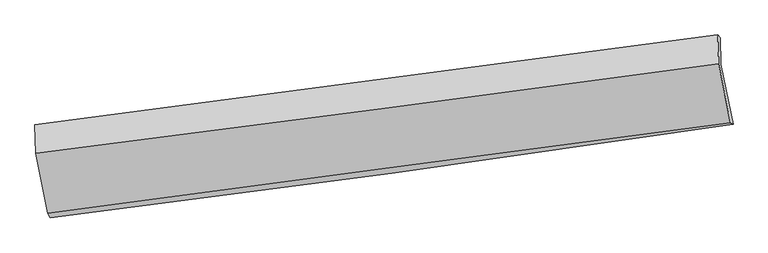
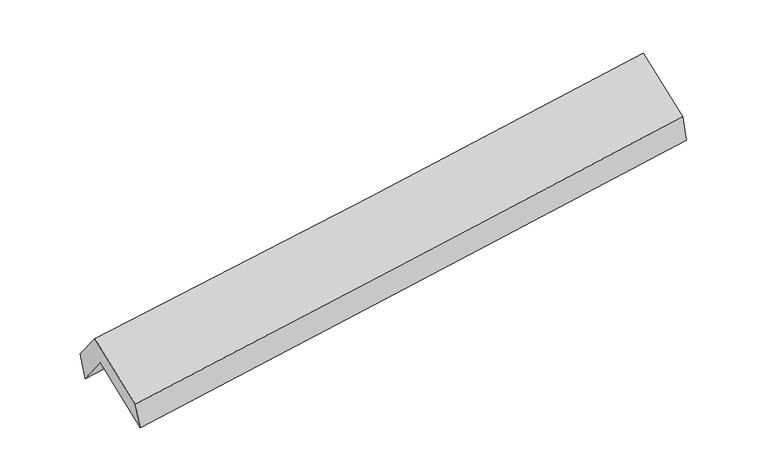
"""IFC4 building model written with IfcOpenShell, lengths in millimetres: proxy geometry."""

import ifcopenshell
import ifcopenshell.guid

model = None  # the IFC model being written
_history = None  # IfcOwnerHistory: only IFC2X3 demands one
_inside = {}  # id of a spatial element -> (the spatial element, [elements in it])
_under = {}  # id of a project, library or spatial element -> (it, [spatial elements below it])
_declared = {}  # id of a project -> (the project, [libraries it declares])
_typed = {}  # id of a type object -> (the type object, [elements of that type])
_made_of = {}  # id of a material, layer set ... -> (it, [elements and type objects made of it])


def new_model(schema):
    """Start an empty IFC model of exactly this schema.

    Asked for "IFC4X3", IfcOpenShell would pick the latest addendum, in which some entities
    have other attributes; the version numbers below select the first issue.
    IFC2X3 requires an IfcOwnerHistory on every rooted entity: one is made here for all.
    """
    global model, _history
    if schema == "IFC4X3":
        model = ifcopenshell.file(schema_version=(4, 3, 0, 0))
    else:
        model = ifcopenshell.file(schema=schema)
    _inside.clear()
    _under.clear()
    _declared.clear()
    _typed.clear()
    _made_of.clear()
    _history = None
    if model.schema == "IFC2X3":
        org = make("IfcOrganization", Name="unknown")
        user = make(
            "IfcPersonAndOrganization",
            ThePerson=make("IfcPerson", FamilyName="unknown"),
            TheOrganization=org,
        )
        app = make(
            "IfcApplication",
            ApplicationDeveloper=org,
            Version="unknown",
            ApplicationFullName="unknown",
            ApplicationIdentifier="unknown",
        )
        _history = make(
            "IfcOwnerHistory",
            OwningUser=user,
            OwningApplication=app,
            ChangeAction="ADDED",
            CreationDate=0,
        )
    return model


def make(cls, **values):
    """One entity of the class cls with the attributes given. An attribute that is None is left unset."""
    return model.create_entity(
        cls, **{name: value for name, value in values.items() if value is not None}
    )


def rooted(cls, **values):
    """An entity with a GlobalId (a new one), such as an element, a storey or a relation."""
    return make(cls, GlobalId=ifcopenshell.guid.new(), OwnerHistory=_history, **values)


def si_unit(unit_type, name, prefix=None):
    """IfcSIUnit, for example si_unit("LENGTHUNIT", "METRE", prefix="MILLI")."""
    return make("IfcSIUnit", UnitType=unit_type, Prefix=prefix, Name=name)


def assignment(units):
    """IfcUnitAssignment: the units of a project."""
    return None if units is None else make("IfcUnitAssignment", Units=units)


def point(xyz):
    """IfcCartesianPoint."""
    return None if xyz is None else make("IfcCartesianPoint", Coordinates=xyz)


def direction(xyz):
    """IfcDirection."""
    return None if xyz is None else make("IfcDirection", DirectionRatios=xyz)


def frame(location, z_axis=None, x_axis=None):
    """IfcAxis2Placement3D, a coordinate frame: its origin and axes. An axis left out is left unset."""
    return make(
        "IfcAxis2Placement3D",
        Location=point(location),
        Axis=direction(z_axis),
        RefDirection=direction(x_axis),
    )


def origin():
    """The frame at (0, 0, 0) with its axes left unset."""
    return frame((0.0, 0.0, 0.0))


def place(relative_to, where):
    """IfcLocalPlacement: puts the frame where relative to a parent placement (None: the world)."""
    return make(
        "IfcLocalPlacement", PlacementRelTo=relative_to, RelativePlacement=where
    )


def context(
    kind, dimensions, precision=None, world=None, true_north=None, identifier=None
):
    """IfcGeometricRepresentationContext, for example the 3D "Model" context."""
    return make(
        "IfcGeometricRepresentationContext",
        ContextIdentifier=identifier,
        ContextType=kind,
        CoordinateSpaceDimension=dimensions,
        Precision=precision,
        WorldCoordinateSystem=world,
        TrueNorth=true_north,
    )


def project(units=None, contexts=None):
    """IfcProject with its units and contexts."""
    return rooted(
        "IfcProject",
        Name="project",
        RepresentationContexts=contexts,
        UnitsInContext=assignment(units),
    )


def spatial(cls, under=None, at=None, **own):
    """A site, building, storey or space (cls), placed at a placement, below another one or the project."""
    s = rooted(cls, ObjectPlacement=at, **own)
    if under is not None:
        _under.setdefault(under.id(), (under, []))[1].append(s)
    return s


def shape(context_of_items, identifier, shape_type, items):
    """IfcShapeRepresentation: the items that make up one representation, for example the "Body"."""
    return make(
        "IfcShapeRepresentation",
        ContextOfItems=context_of_items,
        RepresentationIdentifier=identifier,
        RepresentationType=shape_type,
        Items=items,
    )


def source(mapping_origin, context_of_items, identifier, shape_type, items):
    """IfcRepresentationMap: a shape defined once, which mapped items show again and again."""
    return make(
        "IfcRepresentationMap",
        MappingOrigin=mapping_origin,
        MappedRepresentation=shape(context_of_items, identifier, shape_type, items),
    )


def transform(
    local_origin,
    x_axis=None,
    y_axis=None,
    z_axis=None,
    scale=None,
    scale2=None,
    scale3=None,
    uniform=True,
):
    """IfcCartesianTransformationOperator3D, or its non-uniform kind. x_axis, y_axis, z_axis: its Axis1, 2, 3."""
    if uniform:
        return make(
            "IfcCartesianTransformationOperator3D",
            Axis1=direction(x_axis),
            Axis2=direction(y_axis),
            LocalOrigin=point(local_origin),
            Scale=scale,
            Axis3=direction(z_axis),
        )
    return make(
        "IfcCartesianTransformationOperator3DnonUniform",
        Axis1=direction(x_axis),
        Axis2=direction(y_axis),
        LocalOrigin=point(local_origin),
        Scale=scale,
        Axis3=direction(z_axis),
        Scale2=scale2,
        Scale3=scale3,
    )


def mapped(mapping_source, mapping_target):
    """IfcMappedItem: shows the shape of a source again, moved by a transform."""
    return make(
        "IfcMappedItem", MappingSource=mapping_source, MappingTarget=mapping_target
    )


def made_of(thing, what):
    """Note that an element or type object is made of a material, layer set ...; save() writes the relation."""
    if what is not None:
        _made_of.setdefault(what.id(), (what, []))[1].append(thing)
    return thing


def element(
    cls,
    number,
    at=None,
    inside=None,
    cuts=None,
    type_object=None,
    material=None,
    context=None,
    identifier="Body",
    shape_type=None,
    held_by="IfcProductDefinitionShape",
    body=None,
    shapes=None,
    **own,
):
    """One element of the class cls, such as IfcWall. Its Tag is "e" and its number.

    at: its placement. inside: the storey or other place that contains it. cuts: it is an
    opening in that element (IfcRelVoidsElement). A single representation is given by context,
    identifier, shape_type and body (its items); several are given by shapes. held_by: the class
    of the entity that holds the representations. save() writes the other relations.
    """
    e = rooted(cls, Tag="e%d" % number, ObjectPlacement=at, **own)
    if body is not None:
        shapes = [shape(context, identifier, shape_type, body)]
    if shapes is not None:
        e.Representation = make(held_by, Representations=shapes)
    if inside is not None:
        _inside.setdefault(inside.id(), (inside, []))[1].append(e)
    if cuts is not None:
        rooted(
            "IfcRelVoidsElement", RelatingBuildingElement=cuts, RelatedOpeningElement=e
        )
    if type_object is not None:
        _typed.setdefault(type_object.id(), (type_object, []))[1].append(e)
    return made_of(e, material)


def aggregate(whole, parts):
    """IfcRelAggregates: a whole, such as a stair, and the parts it consists of."""
    return rooted("IfcRelAggregates", RelatingObject=whole, RelatedObjects=parts)


def save(model, path):
    """Write the relations noted so far, then the file.

    IfcRelAggregates (storeys below a building ...), IfcRelContainedInSpatialStructure (elements
    in a storey), IfcRelDefinesByType, IfcRelAssociatesMaterial and IfcRelDeclares: one each for
    every whole, place, type object, material and project.
    """
    for whole, parts in _under.values():
        aggregate(whole, parts)
    for where, things in _inside.values():
        rooted(
            "IfcRelContainedInSpatialStructure",
            RelatedElements=things,
            RelatingStructure=where,
        )
    for kind, things in _typed.values():
        rooted("IfcRelDefinesByType", RelatedObjects=things, RelatingType=kind)
    for what, things in _made_of.values():
        rooted("IfcRelAssociatesMaterial", RelatedObjects=things, RelatingMaterial=what)
    for by, libraries in _declared.values():
        rooted("IfcRelDeclares", RelatingContext=by, RelatedDefinitions=libraries)
    model.write(path)


def plane_surface(at):
    """IfcPlane: the flat surface through the origin of the frame at, square to its z axis."""
    return make("IfcPlane", Position=at)


def spline_curve(degree, points, multiplicities, knots, weights=None):
    """IfcBSplineCurveWithKnots; with weights, IfcRationalBSplineCurveWithKnots."""
    own = dict(
        Degree=degree,
        ControlPointsList=[point(p) for p in points],
        CurveForm="UNSPECIFIED",
        ClosedCurve=False,
        SelfIntersect=False,
        KnotMultiplicities=multiplicities,
        Knots=knots,
        KnotSpec="UNSPECIFIED",
    )
    if weights is None:
        return make("IfcBSplineCurveWithKnots", **own)
    return make("IfcRationalBSplineCurveWithKnots", WeightsData=weights, **own)


def spline_surface(u_degree, v_degree, points, u_multiplicities, v_multiplicities, u_knots, v_knots, weights=None):
    """IfcBSplineSurfaceWithKnots; with weights, IfcRationalBSplineSurfaceWithKnots. points: one row for each step in u."""
    own = dict(
        UDegree=u_degree,
        VDegree=v_degree,
        ControlPointsList=[[point(p) for p in row] for row in points],
        SurfaceForm="UNSPECIFIED",
        UClosed=False,
        VClosed=False,
        SelfIntersect=False,
        UMultiplicities=u_multiplicities,
        VMultiplicities=v_multiplicities,
        UKnots=u_knots,
        VKnots=v_knots,
        KnotSpec="UNSPECIFIED",
    )
    if weights is None:
        return make("IfcBSplineSurfaceWithKnots", **own)
    return make("IfcRationalBSplineSurfaceWithKnots", WeightsData=weights, **own)


def advanced_brep(points, edges, surfaces, faces):
    """IfcAdvancedBrep: a solid bounded by faces that lie on surfaces and meet in shared edges.

    An edge is (start, end): straight between two places in points (the first is 0);
    or (start, end, curve); or (start, end, curve, False) where it runs against its curve.
    A face is (place in surfaces, loops), or (place, loops, False) where it looks against
    its surface's normal. A loop lists edges by number (the first is 1), with a minus sign
    where the edge is run from its end to its start. The first loop is the outer one.
    """
    corners = [point(p) for p in points]
    vertices = [make("IfcVertexPoint", VertexGeometry=c) for c in corners]
    made = []
    for start, end, *more in edges:
        made.append(
            make(
                "IfcEdgeCurve",
                EdgeStart=vertices[start],
                EdgeEnd=vertices[end],
                EdgeGeometry=more[0] if more else make("IfcPolyline", Points=[corners[start], corners[end]]),
                SameSense=more[1] if len(more) > 1 else True,
            )
        )
    hull = []
    for where, loops, *sense in faces:
        bounds = []
        for j, loop in enumerate(loops):
            ring = [make("IfcOrientedEdge", EdgeElement=made[abs(k) - 1], Orientation=k > 0) for k in loop]
            bounds.append(
                make(
                    "IfcFaceOuterBound" if j == 0 else "IfcFaceBound",
                    Bound=make("IfcEdgeLoop", EdgeList=ring),
                    Orientation=True,
                )
            )
        hull.append(make("IfcAdvancedFace", Bounds=bounds, FaceSurface=surfaces[where], SameSense=sense[0] if sense else True))
    return make("IfcAdvancedBrep", Outer=make("IfcClosedShell", CfsFaces=hull))


def generic_models_6c9fb664(model_context):
    return source(origin(), model_context, "Body", "AdvancedBrep", [
        advanced_brep(
        [(-2905.1189914, -2501.0121845, 1437.7137119), (-3008.5528909, -1981.8729725, 1855.8618359), (2951.3279548, -1158.2598812, 2322.5326492), (3057.0337801, -1684.8483205, 1911.8759158), (-3014.1998705, -1732.4865988, 1529.2785456), (2944.829977, -929.1434698, 2037.8625145), (-3040.842666, -1688.4369514, 1778.7335944), (2922.7508581, -902.562514, 2255.0240718), (-3033.6998166, -1934.5528239, 2082.2318868), (2930.7013214, -1152.3661342, 2555.2401726), (-2929.6972513, -2461.2312454, 1669.190669), (3033.9287377, -1667.5299707, 2155.6640546)],
        [
            (0, 1),
            (1, 2, spline_curve(3, [(-3008.5528909, -1981.8729725, 1855.8618359), (-2014.42951239, -1853.759547924, 1938.103538256), (-1020.731363254, -1721.071402938, 2018.112126099), (965.895654511, -1446.534453415, 2173.669428664), (1958.824454362, -1304.684901476, 2249.217778713), (2951.3279548, -1158.2598812, 2322.5326492)], [4, 2, 4], [0.0, 9.900511591557095, 19.801832348541495])),
            (2, 3),
            (3, 0, spline_curve(3, [(3057.0337801, -1684.8483205, 1911.8759158), (2064.09627375, -1831.551960642, 1840.572546151), (1070.761137272, -1972.919997122, 1765.405571887), (-916.62318507, -2244.973746703, 1607.350872127), (-1910.672305743, -2375.660331073, 1524.463778537), (-2905.1189914, -2501.0121845, 1437.7137119)], [4, 2, 4], [0.0, 9.9013207569844, 19.801832348541495])),
            (1, 4),
            (4, 5, spline_curve(3, [(-3014.1998705, -1732.4865988, 1529.2785456), (-2021.025925165, -1595.698178337, 1609.108272477), (-1027.87342278, -1460.361383718, 1691.403300637), (958.469863042, -1192.580103493, 1860.930887196), (1951.660643318, -1060.135855023, 1948.163848604), (2944.829977, -929.1434698, 2037.8625145)], [4, 2, 4], [0.0, 9.898648660228954, 19.798106333628475])),
            (5, 2),
            (4, 6),
            (6, 7, spline_curve(3, [(-3040.842666, -1688.4369514, 1778.7335944), (-2045.765413434, -1557.751481743, 1844.432641909), (-1051.280943576, -1426.921892525, 1916.971137211), (936.583661604, -1164.963770438, 2075.733511922), (1929.963699723, -1033.835213745, 2161.958508691), (2922.7508581, -902.562514, 2255.0240718)], [4, 2, 4], [0.0, 9.898266419172014, 19.797341820274163])),
            (7, 5),
            (6, 8),
            (8, 9, spline_curve(3, [(-3033.6998166, -1934.5528239, 2082.2318868), (-2038.566746684, -1809.420729559, 2156.086696771), (-1043.987071154, -1681.675228904, 2232.429746671), (944.146731982, -1420.946759307, 2390.098768583), (1937.700769376, -1287.963363941, 2471.425147421), (2930.7013214, -1152.3661342, 2555.2401726)], [4, 2, 4], [0.0, 9.898020482139538, 19.796849926108862])),
            (9, 7),
            (8, 10),
            (10, 11, spline_curve(3, [(-2929.6972513, -2461.2312454, 1669.190669), (-1935.909342202, -2327.318081598, 1749.180403191), (-942.066865267, -2194.222396342, 1829.713040458), (1045.808455333, -1929.655171006, 1991.870746618), (2039.841308039, -1798.183764956, 2073.495904787), (3033.9287377, -1667.5299707, 2155.6640546)], [4, 2, 4], [0.0, 9.8994447705437, 19.79969861932379])),
            (11, 9),
            (10, 0),
            (3, 11),
        ],
        [
            spline_surface(3, 3, [[(-2905.1189914, -2501.0121845, 1437.7137119), (-1910.672305673, -2375.660331203, 1524.463778687), (-916.623184981, -2244.973746565, 1607.350872284), (1070.761137182, -1972.919997259, 1765.40557173), (2064.096273641, -1831.551960604, 1840.572546071), (3057.0337801, -1684.8483205, 1911.8759158)], [(-2939.596957891, -2327.965780469, 1577.096419899), (-1945.258041205, -2201.693403392, 1662.343698536), (-951.325911126, -2070.339631988, 1744.271290179), (1035.805976346, -1797.458149357, 1901.493524086), (2029.00566722, -1655.929607554, 1976.787623652), (3021.798505014, -1509.318840731, 2048.76149361)], [(-2974.074924409, -2154.919376531, 1716.479127901), (-1979.843776763, -2027.726475672, 1800.22361839), (-986.028637272, -1895.705517394, 1881.191708072), (1000.85081551, -1621.996301439, 2037.58147644), (1993.915060756, -1480.307254512, 2113.002701205), (2986.563229886, -1333.789360969, 2185.64707139)], [(-3008.5528909, -1981.8729725, 1855.8618359), (-2014.429512295, -1853.75954786, 1938.103538239), (-1020.731363417, -1721.071402817, 2018.112125967), (965.895654674, -1446.534453536, 2173.669428796), (1958.824454336, -1304.684901463, 2249.217778786), (2951.3279548, -1158.2598812, 2322.5326492)]], [4, 4], [4, 2, 4], [0.0, 2.211573805630793], [0.0, 9.900511591557095, 19.801832348541495]),
            spline_surface(3, 3, [[(-3008.5528909, -1981.8729725, 1855.8618359), (-2014.429512295, -1853.75954786, 1938.103538239), (-1020.731363417, -1721.071402817, 2018.112125967), (965.895654674, -1446.534453536, 2173.669428796), (1958.824454336, -1304.684901463, 2249.217778786), (2951.3279548, -1158.2598812, 2322.5326492)], [(-3010.435217437, -1898.744181274, 1747.000739158), (-2016.628316547, -1767.739091397, 1828.438449643), (-1023.112049901, -1634.168063146, 1909.209184187), (963.420390832, -1361.88300353, 2069.423248284), (1956.436517369, -1223.168552695, 2148.866468735), (2949.161962195, -1081.887744068, 2227.642604291)], [(-3012.317543963, -1815.615390026, 1638.139642342), (-2018.827120789, -1681.718634912, 1718.773360972), (-1025.492736394, -1547.26472342, 1800.30624238), (960.945126981, -1277.231553468, 1965.177067744), (1954.048580418, -1141.652203922, 2048.515158709), (2946.995969605, -1005.515606932, 2132.752559409)], [(-3014.1998705, -1732.4865988, 1529.2785456), (-2021.025925041, -1595.698178449, 1609.108272376), (-1027.873422878, -1460.36138375, 1691.403300601), (958.46986314, -1192.580103461, 1860.930887232), (1951.660643452, -1060.135855155, 1948.163848658), (2944.829977, -929.1434698, 2037.8625145)]], [4, 4], [4, 2, 4], [0.0, 1.3467263740057618], [0.0, 9.898648660228954, 19.798106333628475]),
            spline_surface(3, 3, [[(-3014.1998705, -1732.4865988, 1529.2785456), (-2021.025925041, -1595.698178449, 1609.108272376), (-1027.873422878, -1460.36138375, 1691.403300601), (958.46986314, -1192.580103461, 1860.930887232), (1951.660643452, -1060.135855155, 1948.163848658), (2944.829977, -929.1434698, 2037.8625145)], [(-3023.080802338, -1717.803382999, 1612.43022852), (-2029.272421149, -1583.04927958, 1687.549728851), (-1035.675929725, -1449.214886688, 1766.592579498), (951.174462597, -1183.374659081, 1932.531762072), (1944.428328822, -1051.3689747, 2019.428735359), (2937.470270681, -920.283151196, 2110.249700269)], [(-3031.961734162, -1703.120167201, 1695.58191148), (-2037.518917243, -1570.400380713, 1765.991185367), (-1043.478436605, -1438.068389665, 1841.78185844), (943.879062022, -1174.169214741, 2004.132636955), (1937.196014248, -1042.602094258, 2090.693622052), (2930.110564419, -911.422832604, 2182.636886031)], [(-3040.842666, -1688.4369514, 1778.7335944), (-2045.76541335, -1557.751481844, 1844.432641843), (-1051.280943452, -1426.921892603, 1916.971137338), (936.58366148, -1164.963770361, 2075.733511794), (1929.963699618, -1033.835213803, 2161.958508752), (2922.7508581, -902.562514, 2255.0240718)]], [4, 4], [4, 2, 4], [0.0, 0.7330761878106069], [0.0, 9.898266419172014, 19.797341820274163]),
            spline_surface(3, 3, [[(-3040.842666, -1688.4369514, 1778.7335944), (-2045.76541335, -1557.751481844, 1844.432641843), (-1051.280943452, -1426.921892603, 1916.971137338), (936.58366148, -1164.963770361, 2075.733511794), (1929.963699618, -1033.835213803, 2161.958508752), (2922.7508581, -902.562514, 2255.0240718)], [(-3038.461716196, -1770.475575564, 1879.89969188), (-2043.365857746, -1641.641231132, 1948.317326868), (-1048.84965268, -1511.839671338, 2022.124007139), (939.104684982, -1250.291433388, 2180.521930721), (1932.54272283, -1118.544597126, 2265.114054936), (2925.401012534, -985.830387396, 2355.096105383)], [(-3036.080766404, -1852.514199736, 1981.06578932), (-2040.966302151, -1725.530980426, 2052.202011851), (-1046.418361919, -1596.757450053, 2127.276876909), (941.625708473, -1335.619096396, 2285.310349617), (1935.12174604, -1203.253980463, 2368.269601173), (2928.051166966, -1069.098260804, 2455.168139017)], [(-3033.6998166, -1934.5528239, 2082.2318868), (-2038.566746546, -1809.420729714, 2156.086696876), (-1043.987071148, -1681.675228788, 2232.42974671), (944.146731976, -1420.946759423, 2390.098768544), (1937.700769252, -1287.963363786, 2471.425147357), (2930.7013214, -1152.3661342, 2555.2401726)]], [4, 4], [4, 2, 4], [0.0, 1.330410326952089], [0.0, 9.898020482139538, 19.796849926108862]),
            spline_surface(3, 3, [[(-3033.6998166, -1934.5528239, 2082.2318868), (-2038.566746546, -1809.420729714, 2156.086696876), (-1043.987071148, -1681.675228788, 2232.42974671), (944.146731976, -1420.946759423, 2390.098768544), (1937.700769252, -1287.963363786, 2471.425147357), (2930.7013214, -1152.3661342, 2555.2401726)], [(-2999.032294834, -2110.11229775, 1944.55148085), (-2004.347611795, -1982.05318038, 2020.451265623), (-1010.013669221, -1852.524284614, 2098.190844574), (978.03397311, -1590.516229968, 2257.356094617), (1971.747615547, -1458.036830835, 2338.782066526), (2965.110460171, -1324.087413041, 2422.048133284)], [(-2964.364773066, -2285.67177155, 1806.87107495), (-1970.128477041, -2154.685630996, 1884.81583442), (-976.040267268, -2023.373340452, 1963.951942443), (1011.921214272, -1760.085700525, 2124.613420697), (2005.794461829, -1628.110297861, 2206.138985642), (2999.519598929, -1495.808691859, 2288.856093916)], [(-2929.6972513, -2461.2312454, 1669.190669), (-1935.909342289, -2327.318081662, 1749.180403167), (-942.066865341, -2194.222396278, 1829.713040306), (1045.808455406, -1929.65517107, 1991.87074677), (2039.841308124, -1798.18376491, 2073.495904811), (3033.9287377, -1667.5299707, 2155.6640546)]], [4, 4], [4, 2, 4], [0.0, 2.1550896676874136], [0.0, 9.8994447705437, 19.79969861932379]),
            spline_surface(3, 3, [[(-2929.6972513, -2461.2312454, 1669.190669), (-1935.909342289, -2327.318081662, 1749.180403167), (-942.066865341, -2194.222396278, 1829.713040306), (1045.808455406, -1929.65517107, 1991.87074677), (2039.841308124, -1798.18376491, 2073.495904811), (3033.9287377, -1667.5299707, 2155.6640546)], [(-2921.504498003, -2474.491558443, 1592.031683293), (-1927.496996753, -2343.432164852, 1674.274861667), (-933.585638562, -2211.139513027, 1755.592317629), (1054.12601599, -1944.076779787, 1916.382355087), (2047.926296634, -1809.306496809, 1995.854785227), (3041.630418504, -1673.302753968, 2074.401341663)], [(-2913.311744697, -2487.751871457, 1514.872697607), (-1919.084651209, -2359.546248013, 1599.369320188), (-925.104411759, -2228.056629815, 1681.471594962), (1062.443576599, -1958.498388542, 1840.893963413), (2056.011285131, -1820.429228704, 1918.213665655), (3049.332099296, -1679.075537232, 1993.138628737)], [(-2905.1189914, -2501.0121845, 1437.7137119), (-1910.672305673, -2375.660331203, 1524.463778687), (-916.623184981, -2244.973746565, 1607.350872284), (1070.761137182, -1972.919997259, 1765.40557173), (2064.096273641, -1831.551960604, 1840.572546071), (3057.0337801, -1684.8483205, 1911.8759158)]], [4, 4], [4, 2, 4], [0.0, 0.7567742795303385], [0.0, 9.901395492952947, 19.803600223574158]),
            plane_surface(frame((2973.4287715, -1249.1183817, 2206.3665631), z_axis=(0.9875886576591144, 0.13259906573166125, 0.08417916030799445), x_axis=(0.15638529689271735, -0.7804520581935548, -0.6053414109221512))),
            plane_surface(frame((-2988.6852478, -2049.9321294, 1725.5017073), z_axis=(-0.9880224868439956, -0.13040622806053656, -0.08249715857913022), x_axis=(-0.10407773575798425, 0.16845415783508605, 0.9801994805281031))),
        ],
        [
            (0, [[1, 2, 3, 4]]),
            (1, [[5, 6, 7, -2]]),
            (2, [[8, 9, 10, -6]]),
            (3, [[11, 12, 13, -9]]),
            (4, [[14, 15, 16, -12]]),
            (5, [[17, -4, 18, -15]]),
            (6, [[-16, -18, -3, -7, -10, -13]]),
            (7, [[-17, -14, -11, -8, -5, -1]]),
        ],
    ),
    ])


if __name__ == "__main__":
    model = new_model("IFC4")
    model_context = context("Model", 3, world=origin())
    ifc_project = project(units=[si_unit("LENGTHUNIT", "METRE", prefix="MILLI")], contexts=[model_context])
    site = spatial("IfcSite", under=ifc_project)
    building = spatial("IfcBuilding", under=site)
    placement = place(None, origin())
    generic_models_shape = generic_models_6c9fb664(model_context)
    element("IfcBuildingElementProxy", 1, Name="Generic Models", at=placement, inside=building, context=model_context, shape_type="MappedRepresentation", body=[
        mapped(generic_models_shape, transform((0.0, 0.0, 0.0), x_axis=(1.0, 0.0, 0.0), y_axis=(0.0, 1.0, 0.0), z_axis=(0.0, 0.0, 1.0))),
    ])
    save(model, "model.ifc")
